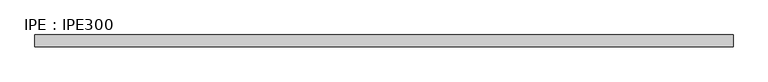
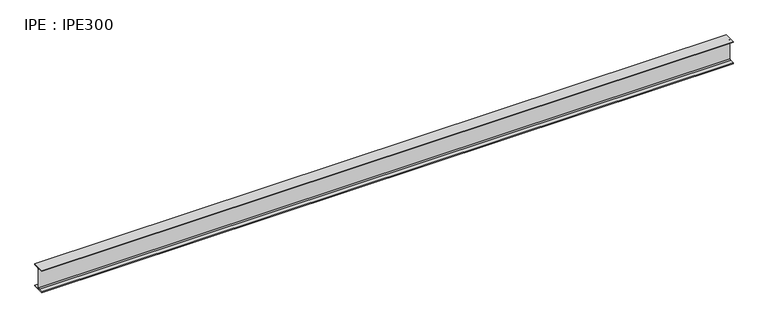
"""IFC4 building model written with IfcOpenShell, lengths in millimetres: beam geometry, IPE : IPE300."""

from ifc_helpers import new_model, si_unit, point, frame, frame_2d, origin, place, context, project, spatial, polyline, circle_curve, trimmed, segment, composite_curve, outline, extrude, source, transform, mapped, element, save


def ipe_ipe300_340d3b55(model_context):
    return source(origin(), model_context, "Body", "SweptSolid", [
        extrude(outline(composite_curve([segment(polyline([(75.0, -139.3), (75.0, -150.0), (-75.0, -150.0), (-75.0, -139.3), (-18.55, -139.3)]), True, "CONTINUOUS"), segment(trimmed(circle_curve(frame_2d((-18.55, -124.3)), 15.0), [point((-18.55, -139.3))], [point((-3.55, -124.3))], True, "CARTESIAN"), True, "CONTINUOUS"), segment(polyline([(-3.55, -124.3), (-3.55, 124.3)]), True, "CONTINUOUS"), segment(trimmed(circle_curve(frame_2d((-18.55, 124.3)), 15.0), [point((-3.55, 124.3))], [point((-18.55, 139.3))], True, "CARTESIAN"), True, "CONTINUOUS"), segment(polyline([(-18.55, 139.3), (-75.0, 139.3), (-75.0, 150.0), (75.0, 150.0), (75.0, 139.3), (18.55, 139.3)]), True, "CONTINUOUS"), segment(trimmed(circle_curve(frame_2d((18.55, 124.3)), 15.0), [point((18.55, 139.3))], [point((3.55, 124.3))], True, "CARTESIAN"), True, "CONTINUOUS"), segment(polyline([(3.55, 124.3), (3.55, -124.3)]), True, "CONTINUOUS"), segment(trimmed(circle_curve(frame_2d((18.55, -124.3)), 15.0), [point((3.55, -124.3))], [point((18.55, -139.3))], True, "CARTESIAN"), True, "CONTINUOUS"), segment(polyline([(18.55, -139.3), (75.0, -139.3)]), True, "CONTINUOUS")], self_intersect=False)), frame((-4350.1, 0.0, 0.0), z_axis=(1.0, 0.0, 0.0), x_axis=(0.0, 1.0, 0.0)), (0.0, 0.0, 1.0), 8906.9),
    ])


if __name__ == "__main__":
    model = new_model("IFC4")
    model_context = context("Model", 3, world=origin())
    ifc_project = project(units=[si_unit("LENGTHUNIT", "METRE", prefix="MILLI")], contexts=[model_context])
    site = spatial("IfcSite", under=ifc_project)
    building = spatial("IfcBuilding", under=site)
    placement = place(None, origin())
    ipe_ipe300_shape = ipe_ipe300_340d3b55(model_context)
    element("IfcBeam", 1, ObjectType="IPE : IPE300", at=placement, inside=building, context=model_context, shape_type="MappedRepresentation", body=[
        mapped(ipe_ipe300_shape, transform((0.0, 0.0, 0.0), x_axis=(1.0, 0.0, 0.0), y_axis=(0.0, 1.0, 0.0), z_axis=(0.0, 0.0, 1.0))),
    ])
    save(model, "model.ifc")
